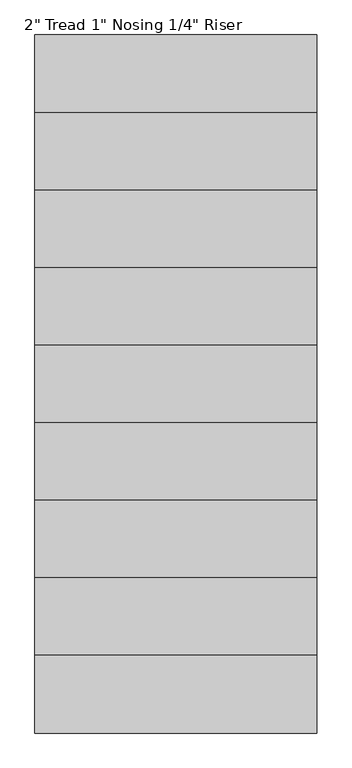
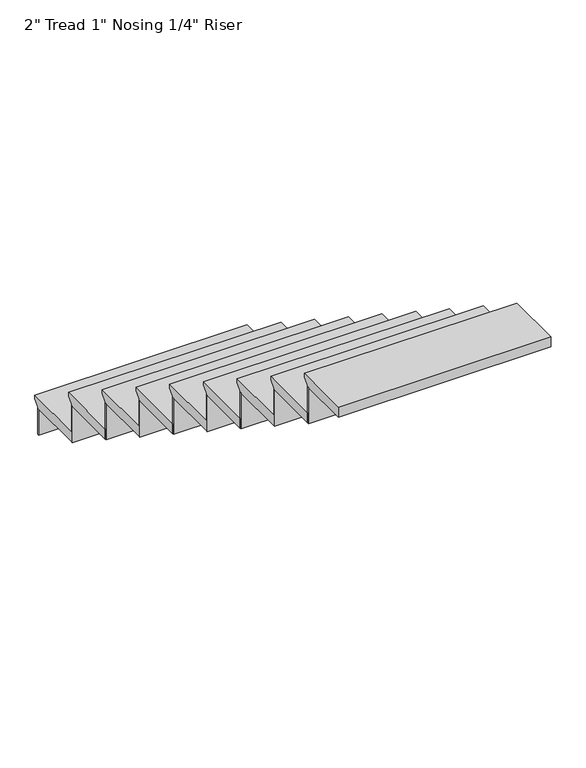
"""IFC4 building model written with IfcOpenShell, lengths in millimetres: stair flight geometry."""

from ifc_helpers import new_model, si_unit, frame, origin, place, context, project, spatial, polyline, outline, extrude, source, transform, mapped, element, save


def stair_flight_800354c2(model_context):
    return source(origin(), model_context, "Body", "SweptSolid", [
        extrude(outline(polyline([(13489.7019376, 3478.7416667), (13794.5019376, 3478.7416667), (13794.5019376, 3459.6916667), (13769.1019376, 3434.2916667), (13769.1019376, 3427.9416667), (13489.7019376, 3427.9416667), (13489.7019376, 3478.7416667)])), frame((7556.487827, 0.0, 0.0), z_axis=(1.0, 0.0, 0.0), x_axis=(0.0, 1.0, 0.0)), (0.0, 0.0, 1.0), 1016.0),
        extrude(outline(polyline([(7556.487827, 13762.7519376), (7556.487827, 13769.1019376), (8572.487827, 13769.1019376), (8572.487827, 13762.7519376), (7556.487827, 13762.7519376)])), frame((0.0, 0.0, 3295.65), z_axis=(0.0, 0.0, 1.0), x_axis=(1.0, 0.0, 0.0)), (0.0, 0.0, 1.0), 132.2916667),
        extrude(outline(polyline([(7556.487827, 13483.3519376), (7556.487827, 13489.7019376), (8572.487827, 13489.7019376), (8572.487827, 13483.3519376), (7556.487827, 13483.3519376)])), frame((0.0, 0.0, 3427.9416667), z_axis=(0.0, 0.0, 1.0), x_axis=(1.0, 0.0, 0.0)), (0.0, 0.0, 1.0), 183.0916667),
        extrude(outline(polyline([(13210.3019376, 3661.8333333), (13515.1019376, 3661.8333333), (13515.1019376, 3642.7833333), (13489.7019376, 3617.3833333), (13489.7019376, 3611.0333333), (13210.3019376, 3611.0333333), (13210.3019376, 3661.8333333)])), frame((7556.487827, 0.0, 0.0), z_axis=(1.0, 0.0, 0.0), x_axis=(0.0, 1.0, 0.0)), (0.0, 0.0, 1.0), 1016.0),
        extrude(outline(polyline([(7556.487827, 13203.9519376), (7556.487827, 13210.3019376), (8572.487827, 13210.3019376), (8572.487827, 13203.9519376), (7556.487827, 13203.9519376)])), frame((0.0, 0.0, 3611.0333333), z_axis=(0.0, 0.0, 1.0), x_axis=(1.0, 0.0, 0.0)), (0.0, 0.0, 1.0), 183.0916667),
        extrude(outline(polyline([(12930.9019376, 3844.925), (13235.7019376, 3844.925), (13235.7019376, 3825.875), (13210.3019376, 3800.475), (13210.3019376, 3794.125), (12930.9019376, 3794.125), (12930.9019376, 3844.925)])), frame((7556.487827, 0.0, 0.0), z_axis=(1.0, 0.0, 0.0), x_axis=(0.0, 1.0, 0.0)), (0.0, 0.0, 1.0), 1016.0),
        extrude(outline(polyline([(7556.487827, 12924.5519376), (7556.487827, 12930.9019376), (8572.487827, 12930.9019376), (8572.487827, 12924.5519376), (7556.487827, 12924.5519376)])), frame((0.0, 0.0, 3794.125), z_axis=(0.0, 0.0, 1.0), x_axis=(1.0, 0.0, 0.0)), (0.0, 0.0, 1.0), 183.0916667),
        extrude(outline(polyline([(12651.5019376, 4028.0166667), (12956.3019376, 4028.0166667), (12956.3019376, 4008.9666667), (12930.9019376, 3983.5666667), (12930.9019376, 3977.2166667), (12651.5019376, 3977.2166667), (12651.5019376, 4028.0166667)])), frame((7556.487827, 0.0, 0.0), z_axis=(1.0, 0.0, 0.0), x_axis=(0.0, 1.0, 0.0)), (0.0, 0.0, 1.0), 1016.0),
        extrude(outline(polyline([(7556.487827, 12645.1519376), (7556.487827, 12651.5019376), (8572.487827, 12651.5019376), (8572.487827, 12645.1519376), (7556.487827, 12645.1519376)])), frame((0.0, 0.0, 3977.2166667), z_axis=(0.0, 0.0, 1.0), x_axis=(1.0, 0.0, 0.0)), (0.0, 0.0, 1.0), 183.0916667),
        extrude(outline(polyline([(12372.1019376, 4211.1083333), (12676.9019376, 4211.1083333), (12676.9019376, 4192.0583333), (12651.5019376, 4166.6583333), (12651.5019376, 4160.3083333), (12372.1019376, 4160.3083333), (12372.1019376, 4211.1083333)])), frame((7556.487827, 0.0, 0.0), z_axis=(1.0, 0.0, 0.0), x_axis=(0.0, 1.0, 0.0)), (0.0, 0.0, 1.0), 1016.0),
        extrude(outline(polyline([(7556.487827, 12365.7519376), (7556.487827, 12372.1019376), (8572.487827, 12372.1019376), (8572.487827, 12365.7519376), (7556.487827, 12365.7519376)])), frame((0.0, 0.0, 4160.3083333), z_axis=(0.0, 0.0, 1.0), x_axis=(1.0, 0.0, 0.0)), (0.0, 0.0, 1.0), 183.0916667),
        extrude(outline(polyline([(12092.7019376, 4394.2), (12397.5019376, 4394.2), (12397.5019376, 4375.15), (12372.1019376, 4349.75), (12372.1019376, 4343.4), (12092.7019376, 4343.4), (12092.7019376, 4394.2)])), frame((7556.487827, 0.0, 0.0), z_axis=(1.0, 0.0, 0.0), x_axis=(0.0, 1.0, 0.0)), (0.0, 0.0, 1.0), 1016.0),
        extrude(outline(polyline([(7556.487827, 12086.3519376), (7556.487827, 12092.7019376), (8572.487827, 12092.7019376), (8572.487827, 12086.3519376), (7556.487827, 12086.3519376)])), frame((0.0, 0.0, 4343.4), z_axis=(0.0, 0.0, 1.0), x_axis=(1.0, 0.0, 0.0)), (0.0, 0.0, 1.0), 183.0916667),
        extrude(outline(polyline([(11813.3019376, 4577.2916667), (12118.1019376, 4577.2916667), (12118.1019376, 4558.2416667), (12092.7019376, 4532.8416667), (12092.7019376, 4526.4916667), (11813.3019376, 4526.4916667), (11813.3019376, 4577.2916667)])), frame((7556.487827, 0.0, 0.0), z_axis=(1.0, 0.0, 0.0), x_axis=(0.0, 1.0, 0.0)), (0.0, 0.0, 1.0), 1016.0),
        extrude(outline(polyline([(7556.487827, 11806.9519376), (7556.487827, 11813.3019376), (8572.487827, 11813.3019376), (8572.487827, 11806.9519376), (7556.487827, 11806.9519376)])), frame((0.0, 0.0, 4526.4916667), z_axis=(0.0, 0.0, 1.0), x_axis=(1.0, 0.0, 0.0)), (0.0, 0.0, 1.0), 183.0916667),
        extrude(outline(polyline([(11533.9019376, 4760.3833333), (11838.7019376, 4760.3833333), (11838.7019376, 4741.3333333), (11813.3019376, 4715.9333333), (11813.3019376, 4709.5833333), (11533.9019376, 4709.5833333), (11533.9019376, 4760.3833333)])), frame((7556.487827, 0.0, 0.0), z_axis=(1.0, 0.0, 0.0), x_axis=(0.0, 1.0, 0.0)), (0.0, 0.0, 1.0), 1016.0),
        extrude(outline(polyline([(7556.487827, 11527.5519376), (7556.487827, 11533.9019376), (8572.487827, 11533.9019376), (8572.487827, 11527.5519376), (7556.487827, 11527.5519376)])), frame((0.0, 0.0, 4709.5833333), z_axis=(0.0, 0.0, 1.0), x_axis=(1.0, 0.0, 0.0)), (0.0, 0.0, 1.0), 183.0916667),
        extrude(outline(polyline([(11279.9019376, 4943.475), (11559.3019376, 4943.475), (11559.3019376, 4924.425), (11533.9019376, 4899.025), (11533.9019376, 4892.675), (11279.9019376, 4892.675), (11279.9019376, 4943.475)])), frame((7556.487827, 0.0, 0.0), z_axis=(1.0, 0.0, 0.0), x_axis=(0.0, 1.0, 0.0)), (0.0, 0.0, 1.0), 1016.0),
    ])


if __name__ == "__main__":
    model = new_model("IFC4")
    model_context = context("Model", 3, world=origin())
    ifc_project = project(units=[si_unit("LENGTHUNIT", "METRE", prefix="MILLI")], contexts=[model_context])
    site = spatial("IfcSite", under=ifc_project)
    building = spatial("IfcBuilding", under=site)
    placement = place(None, origin())
    stair_flight_shape = stair_flight_800354c2(model_context)
    element("IfcStairFlight", 1, ObjectType="2\" Tread 1\" Nosing 1/4\" Riser", at=placement, inside=building, context=model_context, shape_type="MappedRepresentation", body=[
        mapped(stair_flight_shape, transform((0.0, 0.0, 0.0), x_axis=(1.0, 0.0, 0.0), y_axis=(0.0, 1.0, 0.0), z_axis=(0.0, 0.0, 1.0))),
    ])
    save(model, "model.ifc")
